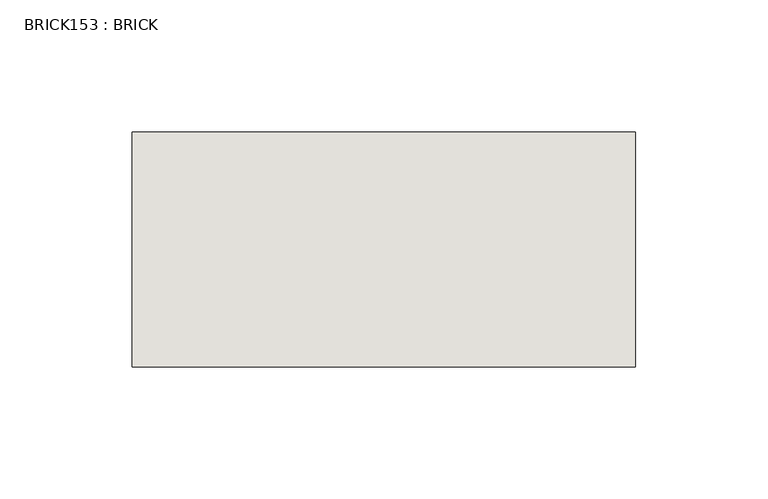
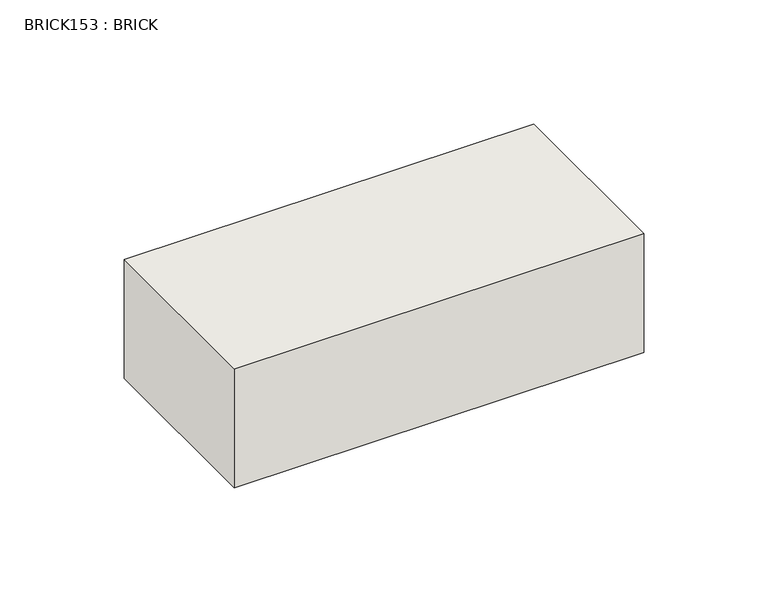
"""IFC4 building model written with IfcOpenShell, lengths in millimetres: wall geometry, BRICK153 : BRICK."""

from ifc_helpers import new_model, si_unit, frame, origin, place, context, project, spatial, polyline, outline, extrude, source, transform, mapped, element, save


def brick153_brick_a509507b(model_context):
    return source(origin(), model_context, "Body", "SweptSolid", [
        extrude(outline(polyline([(-181.1469289, 2586.2274125), (9.3530711, 2586.2274125), (9.3530711, 2497.3274125), (-181.1469289, 2497.3274125), (-181.1469289, 2586.2274125)])), frame((0.0, 0.0, 493.4148438), z_axis=(0.0, 0.0, 1.0), x_axis=(1.0, 0.0, 0.0)), (0.0, 0.0, 1.0), 58.4398437),
    ])


if __name__ == "__main__":
    model = new_model("IFC4")
    model_context = context("Model", 3, world=origin())
    ifc_project = project(units=[si_unit("LENGTHUNIT", "METRE", prefix="MILLI")], contexts=[model_context])
    site = spatial("IfcSite", under=ifc_project)
    building = spatial("IfcBuilding", under=site)
    placement = place(None, origin())
    brick153_brick_shape = brick153_brick_a509507b(model_context)
    element("IfcWall", 1, ObjectType="BRICK153 : BRICK", at=placement, inside=building, context=model_context, shape_type="MappedRepresentation", body=[
        mapped(brick153_brick_shape, transform((0.0, 0.0, 0.0), x_axis=(1.0, 0.0, 0.0), y_axis=(0.0, 1.0, 0.0), z_axis=(0.0, 0.0, 1.0))),
    ])
    save(model, "model.ifc")
